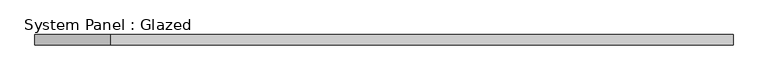
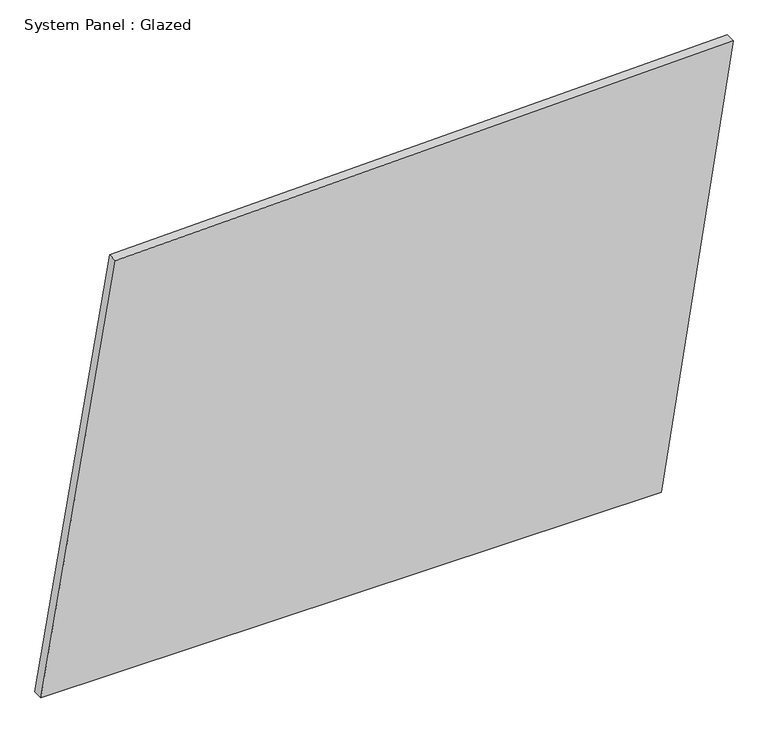
"""IFC4 building model written with IfcOpenShell, lengths in millimetres: plate geometry, System Panel : Glazed."""

from ifc_helpers import new_model, si_unit, frame, origin, place, context, project, spatial, polyline, outline, extrude, source, transform, mapped, element, save


def system_panel_glazed_bb349172(model_context):
    return source(origin(), model_context, "Body", "SweptSolid", [
        extrude(outline(polyline([(0.0, -840.7228534), (0.0, 665.8534227), (1098.4365706, 840.7228534), (1059.3140297, -659.5150164), (0.0, -840.7228534)])), frame((0.0, -49.5, 0.0), z_axis=(0.0, 1.0, 0.0), x_axis=(0.0, 0.0, 1.0)), (0.0, 0.0, 1.0), 25.0),
    ])


if __name__ == "__main__":
    model = new_model("IFC4")
    model_context = context("Model", 3, world=origin())
    ifc_project = project(units=[si_unit("LENGTHUNIT", "METRE", prefix="MILLI")], contexts=[model_context])
    site = spatial("IfcSite", under=ifc_project)
    building = spatial("IfcBuilding", under=site)
    placement = place(None, origin())
    system_panel_glazed_shape = system_panel_glazed_bb349172(model_context)
    element("IfcPlate", 1, ObjectType="System Panel : Glazed", at=placement, inside=building, context=model_context, shape_type="MappedRepresentation", body=[
        mapped(system_panel_glazed_shape, transform((0.0, 0.0, 0.0), x_axis=(1.0, 0.0, 0.0), y_axis=(0.0, 1.0, 0.0), z_axis=(0.0, 0.0, 1.0))),
    ])
    save(model, "model.ifc")
